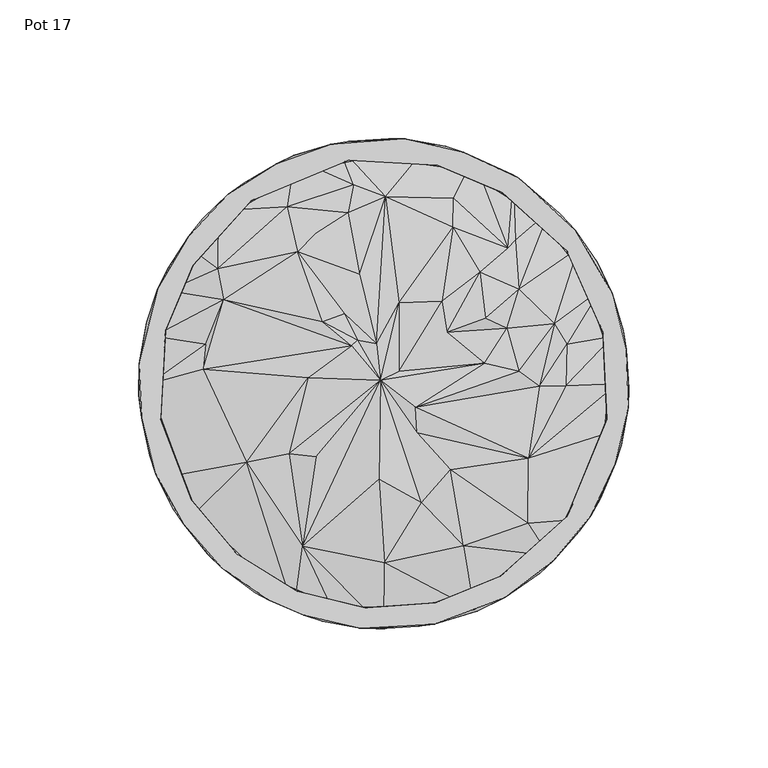
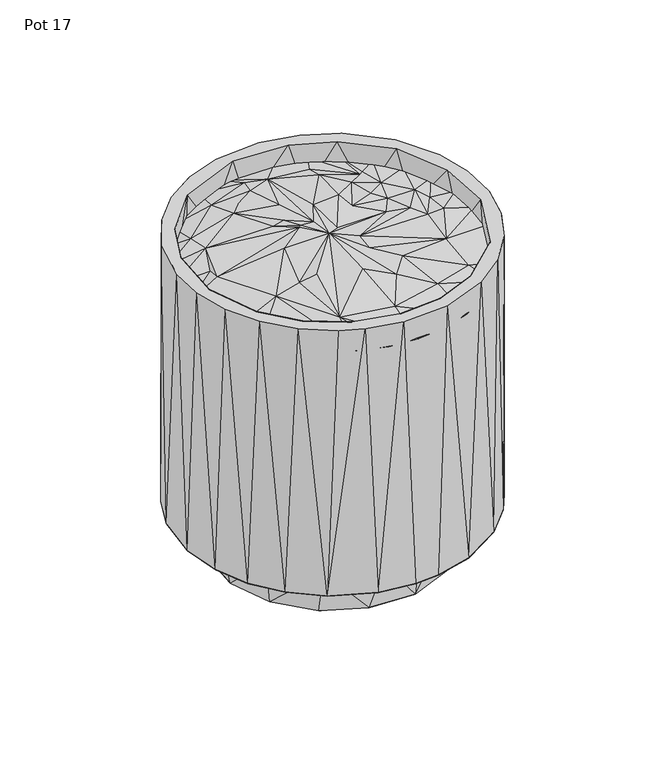
"""IFC4 building model written with IfcOpenShell, lengths in millimetres: furniture geometry, Pot 17."""

from ifc_helpers import new_model, si_unit, origin, place, context, project, spatial, triangles, source, transform, mapped, element, save


def pot_17_0e78eee2(model_context):
    return source(origin(), model_context, "Body", "Tessellation", [
        triangles([(-46.3069664, -72.5436643, 176.0465944), (-32.2910545, -81.4047423, 176.8421854), (-70.2171348, -49.0642563, 176.9150189), (-58.9747433, -61.7035647, 176.0465944), (-16.3058043, -86.1550065, 176.580846), (-29.2034159, -58.6231659, 182.7990529), (-49.2966185, -28.2579318, 184.6306272), (0.1883507, -88.196061, 176.8893846), (16.4438489, -85.5587311, 176.0465944), (32.6354512, -81.5025288, 176.9447773), (0.3447533, -64.485358, 182.9518597), (46.57793, -72.5436053, 176.0465944), (59.6425532, -62.0491559, 176.4980749), (28.840661, -58.3200231, 183.2663209), (-1.6725063, -34.4667507, 188.8200698), (-34.0486757, -25.2279409, 185.7638065), (-24.4243154, -26.4412276, 188.5053543), (-1.0746717, 1.2401659, 189.1457949), (13.6251449, -42.9452121, 185.2672162), (52.0983916, -50.2922836, 181.8493471), (24.0094652, -30.9563658, 185.9663559), (70.4587716, -48.8903979, 176.8145345), (-77.8542777, -33.6239901, 176.7076188), (12.0520589, -17.796822, 187.3161282), (52.1074526, -26.9275465, 184.2676951), (77.3665894, -33.4250287, 176.0465944), (82.7196874, -17.1833227, 176.5576461), (-65.0477419, 5.1170234, 182.1329235), (-84.1683181, -0.1245756, 176.6439599), (-81.8525529, -17.0735377, 176.0465581), (-27.2518386, 2.1536109, 188.5492288), (11.5338561, -8.6101928, 189.2910077), (84.3181636, -0.0790153, 176.541586), (56.2040821, -0.8810702, 182.4784148), (65.7696728, -0.8224417, 182.8284479), (36.2696657, 7.3783247, 186.1042836), (48.7636342, 4.4775437, 185.9303116), (-64.1232708, 14.1864274, 179.802597), (-82.7351843, 17.0724295, 176.7982019), (-11.6348265, 13.5518288, 189.3371894), (-57.6027612, 30.2047856, 182.227558), (5.5241586, 4.4737291, 188.3323997), (5.5913926, 29.1074779, 188.0404299), (-9.4435216, 15.6543679, 188.6348886), (-2.6335715, 14.2980042, 189.14158), (22.7578882, 18.5040679, 187.8322304), (20.9875112, 29.6745899, 188.5618916), (44.4985647, 19.9146865, 183.9752711), (61.6198761, 21.6336541, 182.2742303), (66.0240632, 14.1865341, 180.6268381), (82.8586779, 17.0816597, 176.6777514), (-77.5765148, 33.4322935, 176.4706964), (-22.0245118, 22.3385393, 188.3134692), (-14.1376261, 25.2030401, 187.5054153), (-31.0630794, 47.4244354, 184.4594893), (0.6254911, 67.2670741, 182.5278122), (-8.6216928, 39.2924372, 186.6823551), (36.6421947, 23.6109861, 187.5960893), (34.7372283, 40.1790201, 185.113719), (48.8349189, 33.920906, 183.691949), (77.9385567, 33.5336545, 176.5733428), (70.1709985, 48.6625593, 176.566094), (-59.9048146, 41.4131381, 182.0901936), (-69.6302657, 48.5146214, 176.3058264), (24.9174834, 56.3808155, 183.3290351), (44.8745502, 48.8188634, 181.3814432), (47.5169443, 51.5985992, 180.3378659), (59.7857221, 62.0562094, 176.671629), (-59.6351635, 62.175043, 176.8179136), (-34.7553481, 63.7376475, 180.7241796), (-24.8794566, 53.7943091, 183.8275875), (-12.8955837, 61.5828553, 183.3346852), (46.8772668, 72.8814162, 176.5318664), (25.1929753, 66.7941515, 180.3844292), (32.3953632, 81.0502853, 176.6103863), (-32.1398964, 81.0442537, 176.6103863), (-46.307089, 72.4068858, 176.0465581), (-10.7567312, 71.5956844, 181.6352068), (16.5593624, 86.3029171, 176.8212564), (-16.3359646, 85.9340988, 176.5143529), (0.1354218, 87.0969457, 176.0465581)], [[1, 2, 3], [1, 3, 4], [2, 5, 6], [2, 6, 7], [2, 7, 3], [5, 8, 6], [8, 9, 10], [8, 10, 11], [8, 11, 6], [10, 12, 13], [10, 14, 11], [10, 13, 14], [6, 11, 15], [6, 16, 7], [6, 17, 16], [6, 15, 18], [6, 18, 17], [11, 14, 19], [11, 19, 15], [14, 13, 20], [14, 20, 21], [14, 21, 19], [13, 22, 20], [3, 7, 23], [19, 21, 24], [19, 24, 18], [19, 18, 15], [20, 22, 25], [20, 25, 21], [22, 26, 27], [22, 27, 25], [23, 7, 28], [23, 29, 30], [23, 28, 29], [7, 16, 31], [7, 31, 28], [16, 17, 18], [16, 18, 31], [21, 25, 24], [25, 32, 24], [25, 27, 33], [25, 34, 32], [25, 35, 34], [25, 33, 35], [32, 18, 24], [32, 36, 18], [32, 37, 36], [32, 34, 37], [29, 28, 38], [29, 38, 39], [28, 40, 41], [28, 31, 40], [28, 41, 38], [31, 18, 40], [18, 42, 43], [18, 36, 42], [18, 44, 40], [18, 45, 44], [18, 43, 45], [42, 36, 46], [42, 46, 47], [42, 47, 43], [36, 37, 48], [36, 48, 46], [37, 34, 49], [37, 49, 48], [34, 35, 50], [34, 50, 49], [35, 33, 51], [35, 51, 50], [39, 38, 41], [39, 41, 52], [53, 40, 44], [53, 44, 54], [53, 41, 40], [53, 54, 55], [53, 55, 41], [44, 45, 54], [45, 43, 56], [45, 57, 54], [45, 56, 57], [46, 48, 58], [46, 58, 59], [46, 59, 47], [48, 49, 60], [48, 60, 58], [49, 50, 61], [49, 61, 62], [49, 62, 60], [50, 51, 61], [52, 41, 63], [52, 63, 64], [41, 55, 63], [54, 57, 55], [43, 47, 65], [43, 65, 56], [47, 59, 65], [58, 60, 59], [60, 66, 59], [60, 67, 66], [60, 62, 68], [60, 68, 67], [64, 63, 69], [63, 55, 70], [63, 70, 69], [55, 71, 70], [55, 57, 71], [71, 57, 72], [71, 72, 70], [57, 56, 72], [59, 66, 65], [66, 67, 73], [66, 74, 65], [66, 75, 74], [66, 73, 75], [67, 68, 73], [69, 70, 76], [69, 76, 77], [70, 72, 78], [70, 78, 76], [72, 56, 78], [56, 65, 74], [56, 74, 79], [56, 80, 78], [56, 79, 80], [74, 75, 79], [76, 78, 80], [80, 79, 81]], closed=False),
        triangles([(16.5563818, -79.3842896, 158.6163357), (-6.6379312, -80.81032, 190.408781), (18.6439758, -78.9516126, 190.4087083), (40.2626996, -70.4279232, 158.6163357), (-44.3382275, -67.7645365, 158.6163902), (-67.4602991, -45.4272462, 158.6163357), (-52.8032768, -61.4087744, 190.408781), (-31.2572718, -74.7654446, 190.4087447), (42.1142581, -69.371506, 190.4087447), (64.1622537, -50.3391012, 158.616372), (-80.6855002, -9.7949985, 158.6163902), (-80.2859061, -12.8565168, 190.4065646), (-69.167971, -42.0471655, 190.4087628), (66.0444516, -47.8918033, 190.4065646), (78.2613749, -21.4461428, 158.6163902), (80.5358909, -12.9010635, 190.4320172), (80.9570588, 9.66024, 158.6163902), (-77.9907701, 21.3089578, 158.6163357), (-78.5529632, 19.2529922, 190.4087628), (79.0185961, 18.4411743, 190.4087628), (70.4947705, 40.0594235, 158.6163357), (-67.5612695, 44.4049931, 158.616372), (-68.7313062, 42.6229707, 190.4086902), (-50.5044482, 63.1480759, 158.616372), (-47.7701447, 65.7814136, 190.4065464), (65.984726, 47.8376505, 190.4065464), (54.6516196, 59.8372315, 158.6162993), (-28.4910208, 75.7026058, 158.616372), (42.8262967, 68.7986622, 190.408781), (28.1604518, 76.359556, 158.6163902), (-3.6755799, 80.8401147, 158.6163357), (-12.6539469, 80.3528715, 190.4064919), (19.4563864, 78.6201375, 190.4087083), (-41.3143614, -77.9680789, 190.414958), (-58.4458103, -66.2743613, 190.426785), (-28.5985473, -83.5014802, 190.4147399), (-8.3426236, -88.0632657, 190.4267668), (18.0820222, -86.7170089, 190.4186096), (43.9796466, -76.9303333, 190.4186641), (61.4299759, -63.5482831, 190.4148308), (-72.1517823, -50.6777252, 190.4147944), (74.6904628, -47.5711515, 190.4268577), (-82.1180345, -32.4622536, 190.4268577), (83.5685728, -28.8022572, 190.4148126), (-87.2446293, -12.3642798, 190.414958), (88.130113, -8.5472538, 190.426785), (-88.0538186, 7.194858, 190.4185915), (87.5197669, 12.2074591, 190.4147944), (-81.4929, 34.092314, 190.4185551), (82.3884032, 32.3267196, 190.426785), (-70.3351509, 53.0417251, 190.4147399), (69.1919339, 55.2607258, 190.4186096), (-56.0911893, 68.1489108, 190.4267123), (-38.5427464, 79.2459532, 190.4147581), (-18.9932584, 86.239994, 190.4267668), (48.7149952, 73.8920104, 190.4186641), (7.3988438, 88.1210747, 190.4186096), (28.8693906, 83.3649606, 190.4148126), (-39.4359831, -54.8310645, 0.0274327), (-15.7974959, -65.3832911, 0.1265527), (-37.6437892, -56.7176545, 23.9603244), (-57.2999727, -35.003096, 0.0013191), (10.80966, -66.7990522, 0.0019326), (-7.1345567, -66.9560875, 23.9620321), (39.9411939, -54.6801153, 0.0091078), (33.5695739, -58.4548123, 23.9620321), (13.8902666, -65.9290335, 23.9620571), (63.0896084, -25.9062494, 0.0013724), (49.9752744, -45.2658099, 23.9619753), (-58.2507867, -33.5030922, 23.9619231), (-66.582918, -10.7396799, 0.1761394), (-65.1744602, 15.8516135, 0.0248721), (-54.5861712, 39.5515829, 0.0059603), (39.7545093, 54.6537043, 0.0027861), (57.5730801, 34.8563867, 0.0248987), (66.8526872, 10.6054028, 0.1757393), (67.7120688, -2.4812482, 23.9612032), (61.5026958, -27.6523229, 23.9620049), (-67.9008972, -2.802506, 23.9602426), (-61.2319729, 27.5155875, 23.9618981), (63.0335798, 23.819792, 23.9619231), (49.62456, 46.0082518, 23.961176), (-49.7043153, 45.1292403, 23.9619231), (-30.630827, 60.0867439, 0.1760327), (5.2062275, 67.7755324, 0.0393293), (-33.2988509, 58.3181291, 23.9618709), (-13.6196617, 65.7923822, 23.9618709), (7.4051621, 66.8194906, 23.9618436), (27.7194972, 61.298961, 23.9618436), (-46.3734866, -75.3478718, 23.9997478), (-63.3445983, -61.3628788, 24.0010264), (-22.0037691, -85.6536653, 23.9968388), (-1.4100074, -88.2972812, 24.0011354), (12.4318595, -87.4481688, 24.0011354), (33.700348, -81.9430906, 23.9996956), (56.3620348, -68.2852714, 23.9968138), (-76.0371693, -44.9317778, 23.9967071), (70.6056376, -53.1782221, 24.0010559), (78.0549013, -41.4808256, 24.0010264), (-84.2528333, -25.8628495, 24.0009741), (85.7207761, -22.2073859, 23.9967865), (-88.2540971, -4.2389446, 23.9996684), (88.3642466, -1.6137343, 24.0009741), (-85.4498169, 22.0711365, 23.9967071), (86.4434245, 19.0602465, 23.9967071), (-77.7757123, 41.363668, 24.0009741), (76.9975167, 43.7756528, 23.9996411), (-65.3147678, 59.483088, 23.9996411), (46.6443322, 75.2111387, 23.9995344), (63.6154393, 61.2261911, 24.0010559), (-50.4556911, 72.2295937, 24.0008674), (-32.2594635, 82.1847183, 23.9966276), (-12.1403938, 87.3161274, 24.0009741), (1.7020702, 88.1585633, 24.0008674), (22.2747328, 85.5169549, 23.9966548), (-15.5882836, -79.9392703, 158.6163902)], [[1, 2, 3], [1, 3, 4], [5, 6, 7], [5, 7, 8], [4, 3, 9], [4, 9, 10], [6, 11, 12], [6, 13, 7], [6, 12, 13], [10, 9, 14], [10, 14, 15], [15, 14, 16], [15, 16, 17], [11, 18, 19], [11, 19, 12], [17, 20, 21], [17, 16, 20], [18, 22, 23], [18, 23, 19], [22, 24, 25], [22, 25, 23], [21, 20, 26], [21, 26, 27], [24, 28, 25], [27, 26, 29], [27, 29, 30], [28, 31, 32], [28, 32, 25], [31, 30, 33], [31, 33, 32], [30, 29, 33], [34, 8, 35], [34, 36, 8], [8, 36, 2], [8, 7, 35], [36, 37, 2], [37, 38, 3], [37, 3, 2], [38, 39, 9], [38, 9, 3], [39, 40, 14], [39, 14, 9], [35, 7, 41], [7, 13, 41], [40, 42, 14], [41, 13, 43], [13, 12, 43], [14, 42, 16], [42, 44, 16], [43, 12, 45], [44, 46, 16], [45, 12, 47], [12, 19, 47], [16, 46, 20], [46, 48, 20], [47, 19, 49], [48, 50, 20], [49, 19, 23], [49, 23, 51], [20, 50, 26], [50, 52, 26], [23, 53, 51], [23, 25, 53], [26, 52, 29], [53, 25, 54], [25, 55, 54], [25, 32, 55], [29, 52, 56], [29, 56, 33], [55, 32, 57], [32, 33, 57], [57, 33, 58], [33, 56, 58], [59, 60, 61], [59, 61, 62], [59, 63, 60], [59, 62, 63], [60, 63, 64], [60, 64, 61], [63, 65, 66], [63, 67, 64], [63, 66, 67], [63, 62, 68], [63, 68, 65], [65, 68, 69], [65, 69, 66], [62, 61, 70], [62, 70, 71], [62, 71, 72], [62, 72, 73], [62, 73, 74], [62, 74, 68], [68, 75, 76], [68, 74, 75], [68, 76, 77], [68, 78, 69], [68, 77, 78], [71, 70, 79], [71, 79, 72], [72, 79, 80], [72, 80, 73], [76, 75, 81], [76, 81, 77], [75, 74, 82], [75, 82, 81], [73, 80, 83], [73, 83, 84], [73, 84, 85], [73, 85, 74], [84, 83, 86], [84, 86, 87], [84, 87, 85], [85, 87, 88], [85, 88, 89], [85, 89, 74], [74, 89, 82], [90, 91, 61], [90, 61, 92], [90, 92, 36], [90, 34, 35], [90, 36, 34], [90, 35, 91], [92, 61, 64], [92, 64, 93], [92, 93, 37], [92, 37, 36], [93, 64, 94], [93, 94, 38], [93, 38, 37], [94, 64, 67], [94, 67, 95], [94, 95, 38], [95, 67, 66], [95, 66, 96], [95, 96, 39], [95, 39, 38], [91, 97, 70], [91, 70, 61], [91, 35, 41], [91, 41, 97], [66, 69, 96], [96, 98, 40], [96, 40, 39], [96, 69, 98], [98, 99, 42], [98, 42, 40], [98, 69, 99], [97, 100, 79], [97, 79, 70], [97, 41, 43], [97, 43, 100], [69, 78, 99], [99, 101, 44], [99, 44, 42], [99, 78, 101], [100, 102, 79], [100, 43, 45], [100, 45, 102], [78, 77, 101], [101, 77, 103], [101, 103, 46], [101, 46, 44], [102, 104, 79], [102, 45, 47], [102, 47, 104], [79, 104, 80], [77, 81, 105], [77, 105, 103], [103, 105, 48], [103, 48, 46], [104, 47, 49], [104, 49, 106], [104, 106, 80], [80, 106, 83], [81, 82, 107], [81, 107, 105], [105, 107, 50], [105, 50, 48], [106, 49, 51], [106, 51, 108], [106, 108, 83], [83, 108, 86], [82, 89, 109], [82, 110, 107], [82, 109, 110], [107, 110, 52], [107, 52, 50], [108, 51, 53], [108, 53, 111], [108, 111, 86], [86, 111, 112], [86, 112, 87], [87, 112, 113], [87, 113, 88], [88, 113, 114], [88, 114, 115], [88, 115, 89], [89, 115, 109], [110, 109, 56], [110, 56, 52], [111, 53, 54], [111, 54, 112], [112, 54, 55], [112, 55, 113], [113, 55, 57], [113, 57, 114], [114, 57, 115], [115, 57, 58], [115, 58, 109], [109, 58, 56], [116, 5, 8], [116, 8, 2], [116, 2, 1]], closed=False),
    ])


if __name__ == "__main__":
    model = new_model("IFC4")
    model_context = context("Model", 3, world=origin())
    ifc_project = project(units=[si_unit("LENGTHUNIT", "METRE", prefix="MILLI")], contexts=[model_context])
    site = spatial("IfcSite", under=ifc_project)
    building = spatial("IfcBuilding", under=site)
    placement = place(None, origin())
    pot_17_shape = pot_17_0e78eee2(model_context)
    element("IfcFurniture", 1, ObjectType="Pot 17", at=placement, inside=building, context=model_context, shape_type="MappedRepresentation", body=[
        mapped(pot_17_shape, transform((0.0, 0.0, 0.0), x_axis=(1.0, 0.0, 0.0), y_axis=(0.0, 1.0, 0.0), z_axis=(0.0, 0.0, 1.0))),
    ])
    save(model, "model.ifc")
